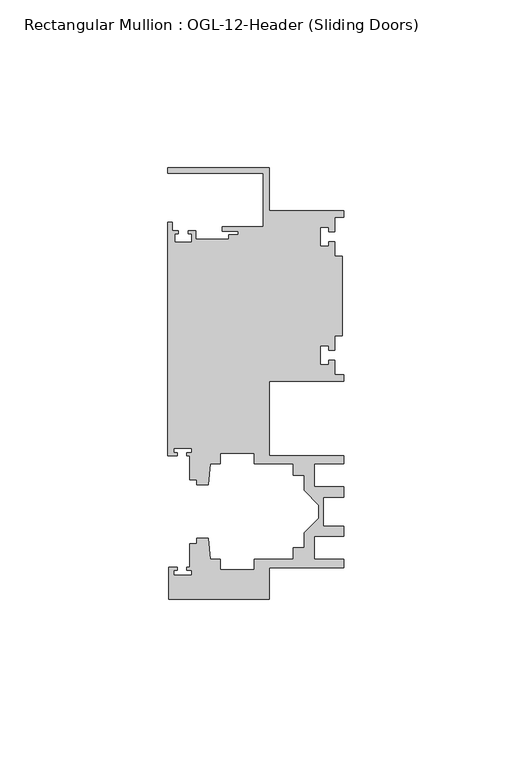
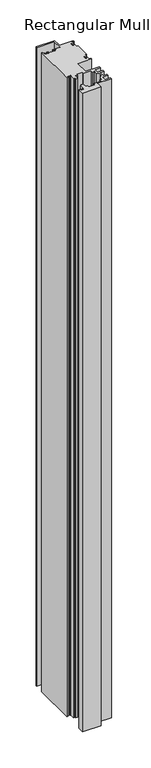
"""IFC4 building model written with IfcOpenShell, lengths in millimetres: member geometry, Rectangular Mullion : OGL-12-Header (Sliding Doors)."""

from ifc_helpers import new_model, si_unit, frame, origin, place, context, project, spatial, polyline, outline, extrude, source, transform, mapped, element, save


def rectangular_mullion_ogl_12_header_sliding_doors_1ce03440(model_context):
    return source(origin(), model_context, "Body", "SweptSolid", [
        extrude(outline(polyline([(0.0, 25.4), (0.0, 23.488176), (-2.740223, 23.488176), (-2.740223, 19.1395859), (-4.5407068, 19.1395859), (-4.5407068, 20.5271706), (-7.0406862, 20.5271706), (-7.0406862, 14.7651725), (-4.5407047, 14.7651725), (-4.5407047, 16.1605952), (-2.740223, 16.1605952), (-2.740223, 11.8041704), (-0.508, 11.8041704), (-0.508, -11.8041704), (-2.740223, -11.8041704), (-2.740223, -16.1605952), (-4.5407047, -16.1605952), (-4.5407047, -14.7651725), (-7.0406862, -14.7651725), (-7.0406862, -20.5271706), (-4.5407068, -20.5271706), (-4.5407068, -19.1395859), (-2.740223, -19.1395859), (-2.740223, -23.488176), (0.0, -23.488176), (0.0, -25.4), (-22.2332898, -25.4), (-22.2332898, -47.513352), (-0.0082575, -47.513352), (-0.0082575, -50.013352), (-8.8582575, -50.013352), (-8.8582575, -56.8562795), (-0.0082575, -56.8562795), (-0.0082575, -59.8562795), (-6.1582575, -59.8562795), (-6.1582575, -68.5325565), (-0.0082575, -68.5325565), (-0.0082575, -71.5325565), (-8.8582575, -71.5325565), (-8.8582575, -78.375484), (-0.0082575, -78.375484), (-0.0082575, -80.875484), (-22.2032575, -80.875484), (-22.2032575, -90.3252352), (-52.2095715, -90.3252352), (-52.2095715, -80.7425364), (-49.5692346, -80.7425364), (-49.5692346, -81.7156466), (-50.6220715, -81.7156466), (-50.6220715, -83.0934363), (-45.3220715, -83.0934363), (-45.3220715, -81.7156466), (-46.8181909, -81.7156466), (-46.8181909, -80.7425364), (-45.9710366, -80.7425364), (-45.9710366, -73.7629518), (-43.7582575, -73.7629518), (-43.7582575, -72.175484), (-40.3395523, -72.175484), (-39.7961967, -78.3860669), (-36.8419772, -78.3860669), (-36.8419772, -81.550484), (-26.7462575, -81.550484), (-26.7462575, -78.375484), (-15.0768765, -78.375484), (-15.0768765, -74.975484), (-11.8582575, -74.975484), (-11.8582575, -70.4941892), (-7.4980859, -66.1340176), (-7.4980859, -62.2548184), (-11.8582575, -57.8946468), (-11.8582575, -53.413352), (-15.0768765, -53.413352), (-15.0768765, -50.013352), (-26.7462575, -50.013352), (-26.7462575, -46.838352), (-36.8419772, -46.838352), (-36.8419772, -50.0027691), (-39.7961967, -50.0027691), (-40.3395523, -56.213352), (-43.7582575, -56.213352), (-43.7582575, -54.6622994), (-45.9710366, -54.6622994), (-45.9710366, -47.583496), (-46.769305, -47.583496), (-46.769305, -46.7096046), (-45.3220715, -46.7096046), (-45.3220715, -45.3318149), (-50.6220715, -45.3318149), (-50.6220715, -46.7096046), (-49.5910554, -46.7096046), (-49.5910554, -47.583496), (-52.3921824, -47.583496), (-52.3921824, 21.9710976), (-51.1362531, 21.9710976), (-51.1362531, 19.4824275), (-49.3568347, 19.4824275), (-49.3568347, 18.4751625), (-50.359397, 18.4751625), (-50.359397, 15.9751675), (-45.359407, 15.9751675), (-45.359407, 18.4751625), (-46.3304245, 18.4751625), (-46.3304245, 19.4824275), (-44.1094055, 19.4824275), (-44.1094055, 16.8641675), (-34.2833684, 16.8641675), (-34.2833684, 18.1510261), (-31.5444935, 18.1510261), (-31.5444935, 19.3006707), (-36.2104247, 19.3006707), (-36.2104247, 20.5916734), (-24.0747898, 20.5916734), (-24.0747898, 36.512516), (-52.3921824, 36.512516), (-52.3921824, 38.0996792), (-22.2332898, 38.0996792), (-22.2332898, 25.4), (0.0, 25.4)])), frame((0.0, 0.0, -1079.5), z_axis=(0.0, 0.0, 1.0), x_axis=(1.0, 0.0, 0.0)), (0.0, 0.0, 1.0), 1079.5),
    ])


if __name__ == "__main__":
    model = new_model("IFC4")
    model_context = context("Model", 3, world=origin())
    ifc_project = project(units=[si_unit("LENGTHUNIT", "METRE", prefix="MILLI")], contexts=[model_context])
    site = spatial("IfcSite", under=ifc_project)
    building = spatial("IfcBuilding", under=site)
    placement = place(None, origin())
    rectangular_mullion_ogl_12_header_sliding_doors_shape = rectangular_mullion_ogl_12_header_sliding_doors_1ce03440(model_context)
    element("IfcMember", 1, ObjectType="Rectangular Mullion : OGL-12-Header (Sliding Doors)", at=placement, inside=building, context=model_context, shape_type="MappedRepresentation", body=[
        mapped(rectangular_mullion_ogl_12_header_sliding_doors_shape, transform((0.0, 0.0, 0.0), x_axis=(1.0, 0.0, 0.0), y_axis=(0.0, 1.0, 0.0), z_axis=(0.0, 0.0, 1.0))),
    ])
    save(model, "model.ifc")
